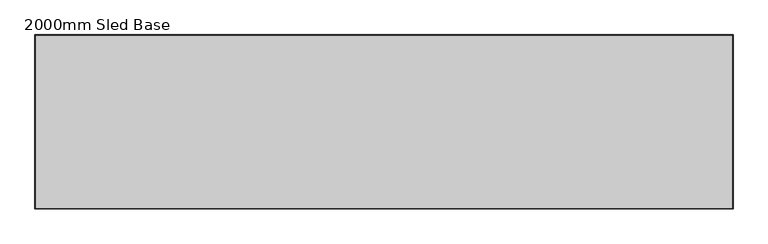
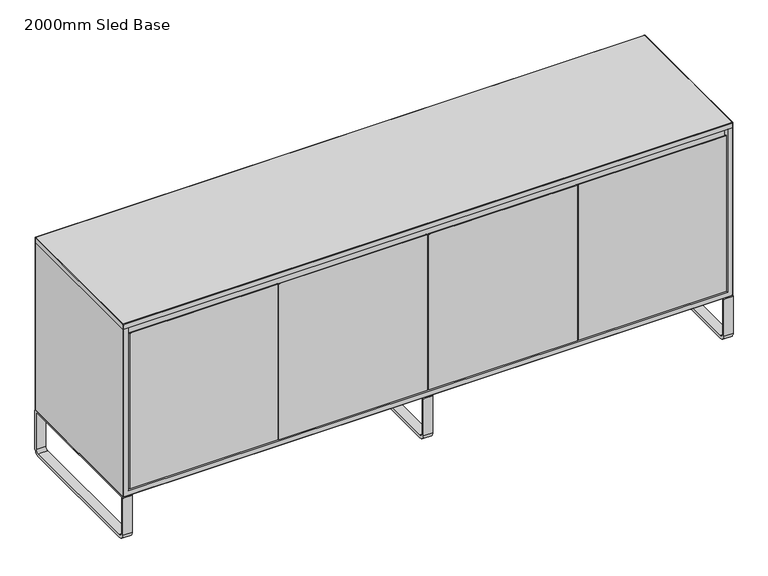
"""IFC4 building model written with IfcOpenShell, lengths in millimetres: furniture geometry, 2000mm Sled Base."""

from ifc_helpers import new_model, si_unit, point, frame, frame_2d, origin, place, context, project, spatial, polyline, circle_curve, ellipse_curve, trimmed, segment, composite_curve, outline, extrude, source, transform, mapped, element, save
from ifc_brep_helpers import plane_surface, cylinder_surface, advanced_brep


def furniture_2000mm_sled_base_a4019ba5(model_context):
    return source(origin(), model_context, "Body", "SolidModel", [
        extrude(outline(composite_curve([segment(polyline([(-248.0, 150.0), (248.0, 150.0)]), True, "CONTINUOUS"), segment(trimmed(circle_curve(frame_2d((248.0, 148.0)), 2.0), [point((248.0, 150.0))], [point((250.0, 148.0))], False, "CARTESIAN"), True, "CONTINUOUS"), segment(polyline([(250.0, 148.0), (250.0, 20.0)]), True, "CONTINUOUS"), segment(trimmed(circle_curve(frame_2d((230.0, 20.0)), 20.0), [point((250.0, 20.0))], [point((230.0, 0.0))], False, "CARTESIAN"), True, "CONTINUOUS"), segment(polyline([(230.0, 0.0), (-230.0, 0.0)]), True, "CONTINUOUS"), segment(trimmed(circle_curve(frame_2d((-230.0, 20.0)), 20.0), [point((-230.0, 0.0))], [point((-250.0, 20.0))], False, "CARTESIAN"), True, "CONTINUOUS"), segment(polyline([(-250.0, 20.0), (-250.0, 148.0)]), True, "CONTINUOUS"), segment(trimmed(circle_curve(frame_2d((-248.0, 148.0)), 2.0), [point((-250.0, 148.0))], [point((-248.0, 150.0))], False, "CARTESIAN"), True, "CONTINUOUS")], self_intersect=False), holes=[composite_curve([segment(polyline([(240.0, 145.0), (-240.0, 145.0), (-240.0, 20.0)]), True, "CONTINUOUS"), segment(trimmed(circle_curve(frame_2d((-230.0, 20.0)), 10.0), [point((-240.0, 20.0))], [point((-230.0, 10.0))], True, "CARTESIAN"), True, "CONTINUOUS"), segment(polyline([(-230.0, 10.0), (230.0, 10.0)]), True, "CONTINUOUS"), segment(trimmed(circle_curve(frame_2d((230.0, 20.0)), 10.0), [point((230.0, 10.0))], [point((240.0, 20.0))], True, "CARTESIAN"), True, "CONTINUOUS"), segment(polyline([(240.0, 20.0), (240.0, 145.0)]), True, "CONTINUOUS")], self_intersect=False)]), frame((970.0107, 0.0, 0.0), z_axis=(1.0, 0.0, 0.0), x_axis=(0.0, 1.0, 0.0)), (0.0, 0.0, 1.0), 30.0),
        extrude(outline(composite_curve([segment(polyline([(-248.0, 150.0), (248.0, 150.0)]), True, "CONTINUOUS"), segment(trimmed(circle_curve(frame_2d((248.0, 148.0)), 2.0), [point((248.0, 150.0))], [point((250.0, 148.0))], False, "CARTESIAN"), True, "CONTINUOUS"), segment(polyline([(250.0, 148.0), (250.0, 20.0)]), True, "CONTINUOUS"), segment(trimmed(circle_curve(frame_2d((230.0, 20.0)), 20.0), [point((250.0, 20.0))], [point((230.0, 0.0))], False, "CARTESIAN"), True, "CONTINUOUS"), segment(polyline([(230.0, 0.0), (-230.0, 0.0)]), True, "CONTINUOUS"), segment(trimmed(circle_curve(frame_2d((-230.0, 20.0)), 20.0), [point((-230.0, 0.0))], [point((-250.0, 20.0))], False, "CARTESIAN"), True, "CONTINUOUS"), segment(polyline([(-250.0, 20.0), (-250.0, 148.0)]), True, "CONTINUOUS"), segment(trimmed(circle_curve(frame_2d((-248.0, 148.0)), 2.0), [point((-250.0, 148.0))], [point((-248.0, 150.0))], False, "CARTESIAN"), True, "CONTINUOUS")], self_intersect=False), holes=[composite_curve([segment(polyline([(240.0, 145.0), (-240.0, 145.0), (-240.0, 20.0)]), True, "CONTINUOUS"), segment(trimmed(circle_curve(frame_2d((-230.0, 20.0)), 10.0), [point((-240.0, 20.0))], [point((-230.0, 10.0))], True, "CARTESIAN"), True, "CONTINUOUS"), segment(polyline([(-230.0, 10.0), (230.0, 10.0)]), True, "CONTINUOUS"), segment(trimmed(circle_curve(frame_2d((230.0, 20.0)), 10.0), [point((230.0, 10.0))], [point((240.0, 20.0))], True, "CARTESIAN"), True, "CONTINUOUS"), segment(polyline([(240.0, 20.0), (240.0, 145.0)]), True, "CONTINUOUS")], self_intersect=False)]), frame((-15.0, 0.0, 0.0), z_axis=(1.0, 0.0, 0.0), x_axis=(0.0, 1.0, 0.0)), (0.0, 0.0, 1.0), 30.0),
        extrude(outline(composite_curve([segment(polyline([(-248.0, 150.0), (248.0, 150.0)]), True, "CONTINUOUS"), segment(trimmed(circle_curve(frame_2d((248.0, 148.0)), 2.0), [point((248.0, 150.0))], [point((250.0, 148.0))], False, "CARTESIAN"), True, "CONTINUOUS"), segment(polyline([(250.0, 148.0), (250.0, 20.0)]), True, "CONTINUOUS"), segment(trimmed(circle_curve(frame_2d((230.0, 20.0)), 20.0), [point((250.0, 20.0))], [point((230.0, 0.0))], False, "CARTESIAN"), True, "CONTINUOUS"), segment(polyline([(230.0, 0.0), (-230.0, 0.0)]), True, "CONTINUOUS"), segment(trimmed(circle_curve(frame_2d((-230.0, 20.0)), 20.0), [point((-230.0, 0.0))], [point((-250.0, 20.0))], False, "CARTESIAN"), True, "CONTINUOUS"), segment(polyline([(-250.0, 20.0), (-250.0, 148.0)]), True, "CONTINUOUS"), segment(trimmed(circle_curve(frame_2d((-248.0, 148.0)), 2.0), [point((-250.0, 148.0))], [point((-248.0, 150.0))], False, "CARTESIAN"), True, "CONTINUOUS")], self_intersect=False), holes=[composite_curve([segment(polyline([(240.0, 145.0), (-240.0, 145.0), (-240.0, 20.0)]), True, "CONTINUOUS"), segment(trimmed(circle_curve(frame_2d((-230.0, 20.0)), 10.0), [point((-240.0, 20.0))], [point((-230.0, 10.0))], True, "CARTESIAN"), True, "CONTINUOUS"), segment(polyline([(-230.0, 10.0), (230.0, 10.0)]), True, "CONTINUOUS"), segment(trimmed(circle_curve(frame_2d((230.0, 20.0)), 10.0), [point((230.0, 10.0))], [point((240.0, 20.0))], True, "CARTESIAN"), True, "CONTINUOUS"), segment(polyline([(240.0, 20.0), (240.0, 145.0)]), True, "CONTINUOUS")], self_intersect=False)]), frame((-1000.0107, 0.0, 0.0), z_axis=(1.0, 0.0, 0.0), x_axis=(0.0, 1.0, 0.0)), (0.0, 0.0, 1.0), 30.0),
        advanced_brep(
        [(492.0, -234.0, 172.0), (978.0, -234.0, 172.0), (978.0, -250.0, 172.0), (492.0, -250.0, 172.0), (492.0, -249.9112853, 711.5758262), (492.0, -246.0343168, 710.1230315), (492.0, -234.0, 696.1033504), (978.0, -250.0, 711.5689603), (978.0, -234.0, 696.1033504), (978.0, -246.0343168, 710.1230315)],
        [
            (0, 1),
            (1, 2),
            (2, 3),
            (3, 0),
            (3, 4),
            (4, 5, circle_curve(frame((492.0, -249.5698507, 706.5874976), z_axis=(-1.0, 0.0, 0.0), x_axis=(0.0, -1.0, 0.0)), 5.0)),
            (5, 6),
            (6, 0),
            (2, 7),
            (7, 4),
            (1, 8),
            (8, 9),
            (9, 7, circle_curve(frame((978.0, -249.5698507, 706.5874976), z_axis=(1.0, 0.0, 0.0), x_axis=(0.0, -1.0, 0.0)), 5.0)),
            (6, 8),
            (5, 9),
        ],
        [
            plane_surface(frame((492.0, -234.0, 172.0), z_axis=(0.0, 0.0, -1.0), x_axis=(0.0, 1.0, 0.0))),
            plane_surface(frame((492.0, -234.0, 714.0), z_axis=(-1.0, 0.0, 0.0), x_axis=(0.0, 0.0, -1.0))),
            plane_surface(frame((492.0, -250.0, 714.0), z_axis=(0.0, -1.0, 0.0), x_axis=(0.0, 0.0, -1.0))),
            plane_surface(frame((978.0, -250.0, 714.0), z_axis=(1.0, 0.0, 0.0), x_axis=(0.0, 0.0, -1.0))),
            plane_surface(frame((978.0, -234.0, 714.0), z_axis=(0.0, 1.0, 0.0), x_axis=(0.0, 0.0, -1.0))),
            plane_surface(frame((492.0, -233.9112853, 696.0), z_axis=(0.0, 0.7587898100957519, 0.6513355694992045), x_axis=(1.0, 0.0, 0.0))),
            cylinder_surface(frame((978.0, -249.5698507, 706.5874976), z_axis=(1.0, 0.0, 0.0), x_axis=(0.0, -1.0, 0.0)), 5.0),
        ],
        [
            (0, [[1, 2, 3, 4]]),
            (1, [[-4, 5, 6, 7, 8]]),
            (2, [[-3, 9, 10, -5]]),
            (3, [[-2, 11, 12, 13, -9]]),
            (4, [[-1, -8, 14, -11]]),
            (5, [[15, -12, -14, -7]]),
            (6, [[-15, -6, -10, -13]]),
        ],
    ),
        advanced_brep(
        [(-489.0, -234.0, 172.0), (-3.0, -234.0, 172.0), (-3.0, -250.0, 172.0), (-489.0, -250.0, 172.0), (-489.0, -249.9112853, 711.5758262), (-489.0, -246.0343168, 710.1230315), (-489.0, -234.0, 696.1033504), (-3.0, -250.0, 711.5689603), (-3.0, -234.0, 696.1033504), (-3.0, -246.0343168, 710.1230315)],
        [
            (0, 1),
            (1, 2),
            (2, 3),
            (3, 0),
            (3, 4),
            (4, 5, circle_curve(frame((-489.0, -249.5698507, 706.5874976), z_axis=(-1.0, 0.0, 0.0), x_axis=(0.0, -1.0, 0.0)), 5.0)),
            (5, 6),
            (6, 0),
            (2, 7),
            (7, 4),
            (1, 8),
            (8, 9),
            (9, 7, circle_curve(frame((-3.0, -249.5698507, 706.5874976), z_axis=(1.0, 0.0, 0.0), x_axis=(0.0, -1.0, 0.0)), 5.0)),
            (6, 8),
            (5, 9),
        ],
        [
            plane_surface(frame((-489.0, -234.0, 172.0), z_axis=(0.0, 0.0, -1.0), x_axis=(0.0, 1.0, 0.0))),
            plane_surface(frame((-489.0, -234.0, 714.0), z_axis=(-1.0, 0.0, 0.0), x_axis=(0.0, 0.0, -1.0))),
            plane_surface(frame((-489.0, -250.0, 714.0), z_axis=(0.0, -1.0, 0.0), x_axis=(0.0, 0.0, -1.0))),
            plane_surface(frame((-3.0, -250.0, 714.0), z_axis=(1.0, 0.0, 0.0), x_axis=(0.0, 0.0, -1.0))),
            plane_surface(frame((-3.0, -234.0, 714.0), z_axis=(0.0, 1.0, 0.0), x_axis=(0.0, 0.0, -1.0))),
            plane_surface(frame((-489.0, -233.9112853, 696.0), z_axis=(0.0, 0.7587898100957519, 0.6513355694992045), x_axis=(1.0, 0.0, 0.0))),
            cylinder_surface(frame((-3.0, -249.5698507, 706.5874976), z_axis=(1.0, 0.0, 0.0), x_axis=(0.0, -1.0, 0.0)), 5.0),
        ],
        [
            (0, [[1, 2, 3, 4]]),
            (1, [[-4, 5, 6, 7, 8]]),
            (2, [[-3, 9, 10, -5]]),
            (3, [[-2, 11, 12, 13, -9]]),
            (4, [[-1, -8, 14, -11]]),
            (5, [[15, -12, -14, -7]]),
            (6, [[-15, -6, -10, -13]]),
        ],
    ),
        extrude(outline(composite_curve([segment(polyline([(-234.0, 172.0), (-250.0, 172.0), (-250.0, 711.6620367)]), True, "CONTINUOUS"), segment(trimmed(circle_curve(frame_2d((-249.6585654, 706.6737081)), 5.0), [point((-250.0, 711.6620367))], [point((-246.1230315, 710.209242))], False, "CARTESIAN"), True, "CONTINUOUS"), segment(polyline([(-246.1230315, 710.209242), (-234.0, 696.0862105), (-234.0, 172.0)]), True, "CONTINUOUS")], self_intersect=False)), frame((-978.0, 0.0, 0.0), z_axis=(1.0, 0.0, 0.0), x_axis=(0.0, 1.0, 0.0)), (0.0, 0.0, 1.0), 486.0),
        extrude(outline(composite_curve([segment(polyline([(-234.0, 172.0), (-250.0, 172.0), (-250.0, 711.6620367)]), True, "CONTINUOUS"), segment(trimmed(circle_curve(frame_2d((-249.6585654, 706.6737081)), 5.0), [point((-250.0, 711.6620367))], [point((-246.1230315, 710.209242))], False, "CARTESIAN"), True, "CONTINUOUS"), segment(polyline([(-246.1230315, 710.209242), (-234.0, 696.0862105), (-234.0, 172.0)]), True, "CONTINUOUS")], self_intersect=False)), frame((3.0, 0.0, 0.0), z_axis=(1.0, 0.0, 0.0), x_axis=(0.0, 1.0, 0.0)), (0.0, 0.0, 1.0), 486.0),
        advanced_brep(
        [(-998.0107, -248.0, 750.0), (998.0107, -248.0, 750.0), (998.0107, 248.0, 750.0), (-998.0107, 248.0, 750.0), (998.0107, 250.0, 732.0), (1000.0107, 248.0, 732.0), (1000.0107, -248.0, 732.0), (998.0107, -250.0, 732.0), (-998.0107, -250.0, 732.0), (-1000.0107, -248.0, 732.0), (-1000.0107, 248.0, 732.0), (-998.0107, 250.0, 732.0), (-998.0107, 250.0, 748.0), (998.0107, 250.0, 748.0), (-1000.0107, -248.0, 748.0), (-1000.0107, 248.0, 748.0), (998.0107, -250.0, 748.0), (-998.0107, -250.0, 748.0), (1000.0107, 248.0, 748.0), (1000.0107, -248.0, 748.0), (-999.4249136, 249.4142136, 749.4142136), (-999.4249136, -249.4142136, 749.4142136), (999.4249136, -249.4142136, 749.4142136), (999.4249136, 249.4142136, 749.4142136)],
        [
            (0, 1),
            (1, 2),
            (2, 3),
            (3, 0),
            (4, 5, circle_curve(frame((998.0107, 248.0, 732.0), z_axis=(0.0, 0.0, -1.0), x_axis=(-1.0, 0.0, 0.0)), 2.0)),
            (5, 6),
            (6, 7, circle_curve(frame((998.0107, -248.0, 732.0), z_axis=(0.0, 0.0, -1.0), x_axis=(-1.0, 0.0, 0.0)), 2.0)),
            (7, 8),
            (8, 9, circle_curve(frame((-998.0107, -248.0, 732.0), z_axis=(0.0, 0.0, -1.0), x_axis=(-1.0, 0.0, 0.0)), 2.0)),
            (9, 10),
            (10, 11, circle_curve(frame((-998.0107, 248.0, 732.0), z_axis=(0.0, 0.0, -1.0), x_axis=(-1.0, 0.0, 0.0)), 2.0)),
            (11, 4),
            (11, 12),
            (12, 13),
            (13, 4),
            (9, 14),
            (14, 15),
            (15, 10),
            (7, 16),
            (16, 17),
            (17, 8),
            (5, 18),
            (18, 19),
            (19, 6),
            (15, 20, ellipse_curve(frame((-998.0107, 248.0, 748.0), z_axis=(0.0, 0.7071067811865475, -0.7071067811865475), x_axis=(0.0, 0.7071067811865474, 0.7071067811865476)), 2.8284271, 2.0)),
            (20, 12, ellipse_curve(frame((-998.0107, 248.0, 748.0), z_axis=(-0.7071067811865487, 0.0, -0.7071067811865465), x_axis=(-0.7071067811865465, 0.0, 0.7071067811865486)), 2.8284271, 2.0)),
            (17, 21, ellipse_curve(frame((-998.0107, -248.0, 748.0), z_axis=(-0.7071067811865487, 0.0, -0.7071067811865465), x_axis=(-0.7071067811865465, 0.0, 0.7071067811865486)), 2.8284271, 2.0)),
            (21, 14, ellipse_curve(frame((-998.0107, -248.0, 748.0), z_axis=(0.0, -0.7071067811865475, -0.7071067811865475), x_axis=(0.0, -0.7071067811865474, 0.7071067811865476)), 2.8284271, 2.0)),
            (19, 22, ellipse_curve(frame((998.0107, -248.0, 748.0), z_axis=(0.0, -0.7071067811865475, -0.7071067811865475), x_axis=(0.0, -0.7071067811865474, 0.7071067811865476)), 2.8284271, 2.0)),
            (22, 16, ellipse_curve(frame((998.0107, -248.0, 748.0), z_axis=(0.7071067811865464, 0.0, -0.7071067811865487), x_axis=(0.7071067811865487, 0.0, 0.7071067811865465)), 2.8284271, 2.0)),
            (13, 23, ellipse_curve(frame((998.0107, 248.0, 748.0), z_axis=(0.7071067811865464, 0.0, -0.7071067811865487), x_axis=(0.7071067811865487, 0.0, 0.7071067811865465)), 2.8284271, 2.0)),
            (23, 18, ellipse_curve(frame((998.0107, 248.0, 748.0), z_axis=(0.0, 0.7071067811865475, -0.7071067811865475), x_axis=(0.0, 0.7071067811865474, 0.7071067811865476)), 2.8284271, 2.0)),
            (23, 2, ellipse_curve(frame((998.0107, 248.0, 748.0), z_axis=(0.7071067811865458, -0.7071067811865492, 0.0), x_axis=(-0.7071067811865491, -0.7071067811865458, 0.0)), 2.8284271, 2.0)),
            (1, 22, ellipse_curve(frame((998.0107, -248.0, 748.0), z_axis=(0.7071067811865492, 0.7071067811865458, 0.0), x_axis=(0.7071067811865458, -0.7071067811865491, 0.0)), 2.8284271, 2.0)),
            (0, 21, ellipse_curve(frame((-998.0107, -248.0, 748.0), z_axis=(0.7071067811865458, -0.7071067811865492, 0.0), x_axis=(-0.7071067811865492, -0.7071067811865458, 0.0)), 2.8284271, 2.0)),
            (3, 20, ellipse_curve(frame((-998.0107, 248.0, 748.0), z_axis=(-0.7071067811865492, -0.7071067811865458, 0.0), x_axis=(0.7071067811865458, -0.7071067811865491, 0.0)), 2.8284271, 2.0)),
        ],
        [
            plane_surface(frame((-998.0107, 250.0, 750.0), z_axis=(0.0, 0.0, 1.0), x_axis=(-1.0, 0.0, 0.0))),
            plane_surface(frame((-998.0107, 250.0, 732.0), z_axis=(0.0, 0.0, -1.0), x_axis=(1.0, 0.0, 0.0))),
            plane_surface(frame((998.0107, 250.0, 750.0), z_axis=(0.0, 1.0, 0.0), x_axis=(0.0, 0.0, -1.0))),
            plane_surface(frame((-1000.0107, 248.0, 750.0), z_axis=(-1.0, 0.0, 0.0), x_axis=(0.0, 0.0, -1.0))),
            plane_surface(frame((-998.0107, -250.0, 750.0), z_axis=(0.0, -1.0, 0.0), x_axis=(0.0, 0.0, -1.0))),
            plane_surface(frame((1000.0107, -248.0, 750.0), z_axis=(1.0, 0.0, 0.0), x_axis=(0.0, 0.0, -1.0))),
            cylinder_surface(frame((-998.0107, 248.0, 732.0), z_axis=(0.0, 0.0, 1.0), x_axis=(-1.0, 0.0, 0.0)), 2.0),
            cylinder_surface(frame((-998.0107, -248.0, 732.0), z_axis=(0.0, 0.0, 1.0), x_axis=(-1.0, 0.0, 0.0)), 2.0),
            cylinder_surface(frame((998.0107, -248.0, 732.0), z_axis=(0.0, 0.0, 1.0), x_axis=(-1.0, 0.0, 0.0)), 2.0),
            cylinder_surface(frame((998.0107, 248.0, 732.0), z_axis=(0.0, 0.0, 1.0), x_axis=(-1.0, 0.0, 0.0)), 2.0),
            cylinder_surface(frame((998.0107, -250.0, 748.0), z_axis=(0.0, -1.0, 0.0), x_axis=(-1.0, 0.0, 0.0)), 2.0),
            cylinder_surface(frame((-1019.7444698, -248.0, 748.0), z_axis=(-1.0, 0.0, 0.0), x_axis=(0.0, 1.0, 0.0)), 2.0),
            cylinder_surface(frame((-998.0107, -267.1078723, 748.0), z_axis=(0.0, -1.0, 0.0), x_axis=(-1.0, 0.0, 0.0)), 2.0),
            cylinder_surface(frame((-1030.5606915, 248.0, 748.0), z_axis=(-1.0, 0.0, 0.0), x_axis=(0.0, 1.0, 0.0)), 2.0),
        ],
        [
            (0, [[1, 2, 3, 4]]),
            (1, [[5, 6, 7, 8, 9, 10, 11, 12]]),
            (2, [[-12, 13, 14, 15]]),
            (3, [[-10, 16, 17, 18]]),
            (4, [[-8, 19, 20, 21]]),
            (5, [[-6, 22, 23, 24]]),
            (6, [[-11, -18, 25, 26, -13]]),
            (7, [[-9, -21, 27, 28, -16]]),
            (8, [[-7, -24, 29, 30, -19]]),
            (9, [[-5, -15, 31, 32, -22]]),
            (10, [[-23, -32, 33, -2, 34, -29]]),
            (11, [[-20, -30, -34, -1, 35, -27]]),
            (12, [[-17, -28, -35, -4, 36, -25]]),
            (13, [[-3, -33, -31, -14, -26, -36]]),
        ],
    ),
        advanced_brep(
        [(998.0107, 250.0, 732.0), (-998.0107, 250.0, 732.0), (-1000.0107, 248.0, 732.0), (-1000.0107, -248.0, 732.0), (-998.0107, -250.0, 732.0), (-982.0107, -250.0, 732.0), (-982.0107, -232.0, 732.0), (982.0107, -232.0, 732.0), (982.0107, -250.0, 732.0), (998.0107, -250.0, 732.0), (1000.0107, -248.0, 732.0), (1000.0107, 248.0, 732.0), (-982.0107, 232.0, 732.0), (982.0107, 232.0, 732.0), (982.0107, -214.0, 732.0), (-982.0107, -214.0, 732.0), (998.0107, -248.0, 150.0), (-998.0107, -248.0, 150.0), (-998.0107, 248.0, 150.0), (998.0107, 248.0, 150.0), (998.0107, 250.0, 152.0), (-998.0107, 250.0, 152.0), (-1000.0107, 248.0, 152.0), (-1000.0107, -248.0, 152.0), (982.0107, -250.0, 168.0), (-982.0107, -250.0, 168.0), (-998.0107, -250.0, 152.0), (998.0107, -250.0, 152.0), (1000.0107, -248.0, 152.0), (1000.0107, 248.0, 152.0), (-982.0107, 232.0, 168.0), (982.0107, 232.0, 168.0), (982.0107, -232.0, 696.0), (982.0107, -214.0, 696.0), (-982.0107, -214.0, 696.0), (-982.0107, -232.0, 696.0), (-999.4249136, 249.4142136, 150.5857864), (-999.4249136, -249.4142136, 150.5857864), (999.4249136, -249.4142136, 150.5857864), (999.4249136, 249.4142136, 150.5857864)],
        [
            (0, 1),
            (1, 2, circle_curve(frame((-998.0107, 248.0, 732.0), z_axis=(0.0, 0.0, 1.0), x_axis=(-1.0, 0.0, 0.0)), 2.0)),
            (2, 3),
            (3, 4, circle_curve(frame((-998.0107, -248.0, 732.0), z_axis=(0.0, 0.0, 1.0), x_axis=(-1.0, 0.0, 0.0)), 2.0)),
            (4, 5),
            (5, 6),
            (6, 7),
            (7, 8),
            (8, 9),
            (9, 10, circle_curve(frame((998.0107, -248.0, 732.0), z_axis=(0.0, 0.0, 1.0), x_axis=(-1.0, 0.0, 0.0)), 2.0)),
            (10, 11),
            (11, 0, circle_curve(frame((998.0107, 248.0, 732.0), z_axis=(0.0, 0.0, 1.0), x_axis=(-1.0, 0.0, 0.0)), 2.0)),
            (12, 13),
            (13, 14),
            (14, 15),
            (15, 12),
            (16, 17),
            (17, 18),
            (18, 19),
            (19, 16),
            (0, 20),
            (20, 21),
            (21, 1),
            (2, 22),
            (22, 23),
            (23, 3),
            (8, 24),
            (24, 25),
            (25, 5),
            (4, 26),
            (26, 27),
            (27, 9),
            (10, 28),
            (28, 29),
            (29, 11),
            (12, 30),
            (30, 31),
            (31, 13),
            (31, 24),
            (7, 32),
            (32, 33),
            (33, 14),
            (30, 25),
            (15, 34),
            (34, 35),
            (35, 6),
            (33, 34),
            (35, 32),
            (21, 36, ellipse_curve(frame((-998.0107, 248.0, 152.0), z_axis=(-0.7071067811865475, 0.0, 0.7071067811865475), x_axis=(0.7071067811865474, 0.0, 0.7071067811865476)), 2.8284271, 2.0)),
            (36, 22, ellipse_curve(frame((-998.0107, 248.0, 152.0), z_axis=(0.0, 0.7071067811865475, 0.7071067811865475), x_axis=(0.0, -0.7071067811865474, 0.7071067811865476)), 2.8284271, 2.0)),
            (23, 37, ellipse_curve(frame((-998.0107, -248.0, 152.0), z_axis=(0.0, -0.7071067811865475, 0.7071067811865475), x_axis=(0.0, 0.7071067811865474, 0.7071067811865476)), 2.8284271, 2.0)),
            (37, 26, ellipse_curve(frame((-998.0107, -248.0, 152.0), z_axis=(-0.7071067811865475, 0.0, 0.7071067811865475), x_axis=(0.7071067811865474, 0.0, 0.7071067811865476)), 2.8284271, 2.0)),
            (27, 38, ellipse_curve(frame((998.0107, -248.0, 152.0), z_axis=(0.7071067811865475, 0.0, 0.7071067811865475), x_axis=(-0.7071067811865474, 0.0, 0.7071067811865476)), 2.8284271, 2.0)),
            (38, 28, ellipse_curve(frame((998.0107, -248.0, 152.0), z_axis=(0.0, -0.7071067811865475, 0.7071067811865475), x_axis=(0.0, 0.7071067811865474, 0.7071067811865476)), 2.8284271, 2.0)),
            (29, 39, ellipse_curve(frame((998.0107, 248.0, 152.0), z_axis=(0.0, 0.7071067811865475, 0.7071067811865475), x_axis=(0.0, -0.7071067811865474, 0.7071067811865476)), 2.8284271, 2.0)),
            (39, 20, ellipse_curve(frame((998.0107, 248.0, 152.0), z_axis=(0.7071067811865475, 0.0, 0.7071067811865475), x_axis=(-0.7071067811865474, 0.0, 0.7071067811865476)), 2.8284271, 2.0)),
            (38, 16, ellipse_curve(frame((998.0107, -248.0, 152.0), z_axis=(0.7071067811865492, 0.7071067811865458, 0.0), x_axis=(0.7071067811865458, -0.7071067811865491, 0.0)), 2.8284271, 2.0)),
            (19, 39, ellipse_curve(frame((998.0107, 248.0, 152.0), z_axis=(0.7071067811865458, -0.7071067811865492, 0.0), x_axis=(-0.7071067811865491, -0.7071067811865458, 0.0)), 2.8284271, 2.0)),
            (36, 18, ellipse_curve(frame((-998.0107, 248.0, 152.0), z_axis=(-0.7071067811865492, -0.7071067811865458, 0.0), x_axis=(0.7071067811865458, -0.7071067811865491, 0.0)), 2.8284271, 2.0)),
            (17, 37, ellipse_curve(frame((-998.0107, -248.0, 152.0), z_axis=(-0.7071067811865458, 0.7071067811865492, 0.0), x_axis=(-0.7071067811865491, -0.7071067811865458, 0.0)), 2.8284271, 2.0)),
        ],
        [
            plane_surface(frame((-998.0107, 250.0, 732.0), z_axis=(0.0, 0.0, 1.0), x_axis=(-1.0, 0.0, 0.0))),
            plane_surface(frame((-998.0107, 250.0, 150.0), z_axis=(0.0, 0.0, -1.0), x_axis=(1.0, 0.0, 0.0))),
            plane_surface(frame((998.0107, 250.0, 732.0), z_axis=(0.0, 1.0, 0.0), x_axis=(0.0, 0.0, -1.0))),
            plane_surface(frame((-1000.0107, 248.0, 732.0), z_axis=(-1.0, 0.0, 0.0), x_axis=(0.0, 0.0, -1.0))),
            plane_surface(frame((-998.0107, -250.0, 732.0), z_axis=(0.0, -1.0, 0.0), x_axis=(0.0, 0.0, -1.0))),
            plane_surface(frame((1000.0107, -248.0, 732.0), z_axis=(1.0, 0.0, 0.0), x_axis=(0.0, 0.0, -1.0))),
            plane_surface(frame((-982.0107, 232.0, 732.0), z_axis=(0.0, -1.0, 0.0), x_axis=(1.0, 0.0, 0.0))),
            plane_surface(frame((982.0107, 232.0, 732.0), z_axis=(-1.0, 0.0, 0.0), x_axis=(0.0, -1.0, 0.0))),
            plane_surface(frame((982.0107, 232.0, 168.0), z_axis=(0.0, 0.0, 1.0), x_axis=(0.0, -1.0, 0.0))),
            plane_surface(frame((-982.0107, 232.0, 168.0), z_axis=(1.0, 0.0, 0.0), x_axis=(0.0, -1.0, 0.0))),
            plane_surface(frame((982.0107, -214.0, 696.0), z_axis=(0.0, 1.0, 0.0), x_axis=(0.0, 0.0, -1.0))),
            plane_surface(frame((982.0107, -232.0, 696.0), z_axis=(0.0, -1.0, 0.0), x_axis=(0.0, 0.0, 1.0))),
            plane_surface(frame((982.0107, -214.0, 696.0), z_axis=(0.0, 0.0, -1.0), x_axis=(0.0, -1.0, 0.0))),
            cylinder_surface(frame((-998.0107, 248.0, 150.0), z_axis=(0.0, 0.0, 1.0), x_axis=(-1.0, 0.0, 0.0)), 2.0),
            cylinder_surface(frame((-998.0107, -248.0, 150.0), z_axis=(0.0, 0.0, 1.0), x_axis=(-1.0, 0.0, 0.0)), 2.0),
            cylinder_surface(frame((998.0107, -248.0, 150.0), z_axis=(0.0, 0.0, 1.0), x_axis=(-1.0, 0.0, 0.0)), 2.0),
            cylinder_surface(frame((998.0107, 248.0, 150.0), z_axis=(0.0, 0.0, 1.0), x_axis=(-1.0, 0.0, 0.0)), 2.0),
            cylinder_surface(frame((998.0107, -286.2483381, 152.0), z_axis=(0.0, -1.0, 0.0), x_axis=(-1.0, 0.0, 0.0)), 2.0),
            cylinder_surface(frame((-998.0107, -267.3652738, 152.0), z_axis=(0.0, -1.0, 0.0), x_axis=(-1.0, 0.0, 0.0)), 2.0),
            cylinder_surface(frame((-1032.0519327, -248.0, 152.0), z_axis=(-1.0, 0.0, 0.0), x_axis=(0.0, 1.0, 0.0)), 2.0),
            cylinder_surface(frame((-1000.0107, 248.0, 152.0), z_axis=(-1.0, 0.0, 0.0), x_axis=(0.0, 1.0, 0.0)), 2.0),
        ],
        [
            (0, [[1, 2, 3, 4, 5, 6, 7, 8, 9, 10, 11, 12], [13, 14, 15, 16]]),
            (1, [[17, 18, 19, 20]]),
            (2, [[-1, 21, 22, 23]]),
            (3, [[-3, 24, 25, 26]]),
            (4, [[-9, 27, 28, 29, -5, 30, 31, 32]]),
            (5, [[-11, 33, 34, 35]]),
            (6, [[36, 37, 38, -13]]),
            (7, [[-38, 39, -27, -8, 40, 41, 42, -14]]),
            (8, [[-37, 43, -28, -39]]),
            (9, [[-36, -16, 44, 45, 46, -6, -29, -43]]),
            (10, [[47, -44, -15, -42]]),
            (11, [[-7, -46, 48, -40]]),
            (12, [[-47, -41, -48, -45]]),
            (13, [[-2, -23, 49, 50, -24]]),
            (14, [[-4, -26, 51, 52, -30]]),
            (15, [[-10, -32, 53, 54, -33]]),
            (16, [[-12, -35, 55, 56, -21]]),
            (17, [[-34, -54, 57, -20, 58, -55]]),
            (18, [[-25, -50, 59, -18, 60, -51]]),
            (19, [[-17, -57, -53, -31, -52, -60]]),
            (20, [[-19, -59, -49, -22, -56, -58]]),
        ],
    ),
        extrude(outline(polyline([(-9.0, 232.0), (9.0, 232.0), (9.0, -232.0), (-9.0, -232.0), (-9.0, 232.0)])), frame((0.0, 0.0, 168.0), z_axis=(0.0, 0.0, 1.0), x_axis=(1.0, 0.0, 0.0)), (0.0, 0.0, 1.0), 528.0),
    ])


if __name__ == "__main__":
    model = new_model("IFC4")
    model_context = context("Model", 3, world=origin())
    ifc_project = project(units=[si_unit("LENGTHUNIT", "METRE", prefix="MILLI")], contexts=[model_context])
    site = spatial("IfcSite", under=ifc_project)
    building = spatial("IfcBuilding", under=site)
    placement = place(None, origin())
    furniture_2000mm_sled_base_shape = furniture_2000mm_sled_base_a4019ba5(model_context)
    element("IfcFurniture", 1, ObjectType="2000mm Sled Base", at=placement, inside=building, context=model_context, shape_type="MappedRepresentation", body=[
        mapped(furniture_2000mm_sled_base_shape, transform((0.0, 0.0, 0.0), x_axis=(1.0, 0.0, 0.0), y_axis=(0.0, 1.0, 0.0), z_axis=(0.0, 0.0, 1.0))),
    ])
    save(model, "model.ifc")
